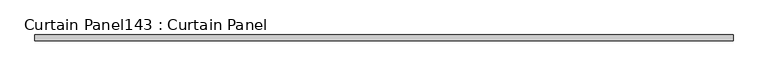
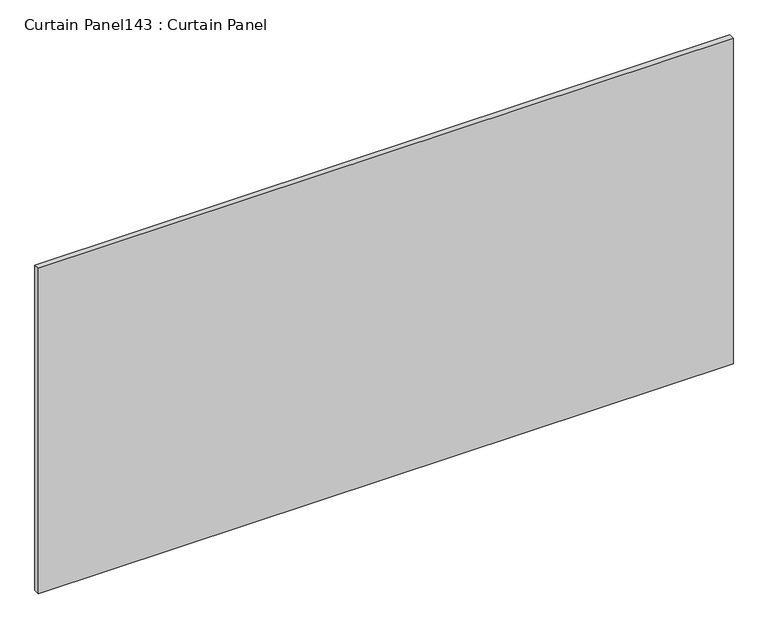
"""IFC4 building model written with IfcOpenShell, lengths in millimetres: plate geometry, Curtain Panel143 : Curtain Panel."""

from ifc_helpers import new_model, si_unit, frame, origin, place, context, project, spatial, polyline, outline, extrude, source, transform, mapped, element, save


def curtain_panel143_curtain_panel_945bb365(model_context):
    return source(origin(), model_context, "Body", "SweptSolid", [
        extrude(outline(polyline([(380525.4312536, 2292.6839321), (377477.4312536, 2292.6839321), (377477.4312536, 2318.0839321), (380525.4312536, 2318.0839321), (380525.4312536, 2292.6839321)])), frame((0.0, 0.0, 8558.385195), z_axis=(0.0, 0.0, 1.0), x_axis=(1.0, 0.0, 0.0)), (0.0, 0.0, 1.0), 1509.3696804),
    ])


if __name__ == "__main__":
    model = new_model("IFC4")
    model_context = context("Model", 3, world=origin())
    ifc_project = project(units=[si_unit("LENGTHUNIT", "METRE", prefix="MILLI")], contexts=[model_context])
    site = spatial("IfcSite", under=ifc_project)
    building = spatial("IfcBuilding", under=site)
    placement = place(None, origin())
    curtain_panel143_curtain_panel_shape = curtain_panel143_curtain_panel_945bb365(model_context)
    element("IfcPlate", 1, ObjectType="Curtain Panel143 : Curtain Panel", at=placement, inside=building, context=model_context, shape_type="MappedRepresentation", body=[
        mapped(curtain_panel143_curtain_panel_shape, transform((0.0, 0.0, 0.0), x_axis=(1.0, 0.0, 0.0), y_axis=(0.0, 1.0, 0.0), z_axis=(0.0, 0.0, 1.0))),
    ])
    save(model, "model.ifc")
